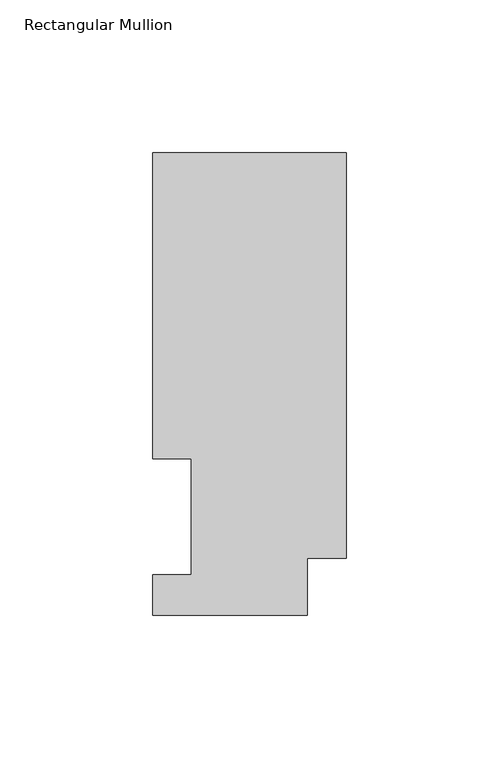
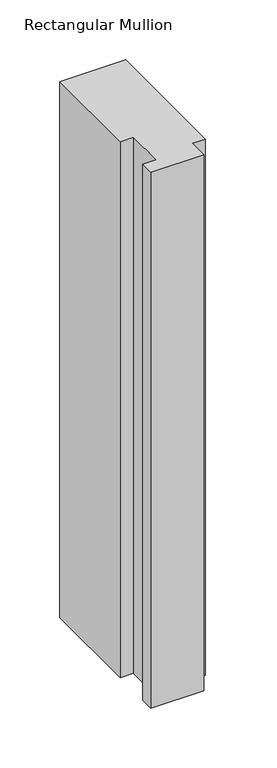
"""IFC4 building model written with IfcOpenShell, lengths in millimetres: member geometry, Rectangular Mullion."""

from ifc_helpers import new_model, si_unit, frame, origin, place, context, project, spatial, polyline, outline, extrude, source, transform, mapped, element, save


def rectangular_mullion_a33f3913(model_context):
    return source(origin(), model_context, "Body", "SweptSolid", [
        extrude(outline(polyline([(-63.5, 151.7022937), (0.0, 151.7022937), (0.0, 18.7332937), (-12.7, 18.7332937), (-12.7, 0.0134937), (-63.5, 0.0134937), (-63.5, 13.1960938), (-50.8, 13.1960938), (-50.8, 51.2960938), (-63.5, 51.2960937), (-63.5, 151.7022937)])), frame((0.0, 0.0, -546.0975441), z_axis=(0.0, 0.0, 1.0), x_axis=(1.0, 0.0, 0.0)), (0.0, 0.0, 1.0), 546.0975441),
    ])


if __name__ == "__main__":
    model = new_model("IFC4")
    model_context = context("Model", 3, world=origin())
    ifc_project = project(units=[si_unit("LENGTHUNIT", "METRE", prefix="MILLI")], contexts=[model_context])
    site = spatial("IfcSite", under=ifc_project)
    building = spatial("IfcBuilding", under=site)
    placement = place(None, origin())
    rectangular_mullion_shape = rectangular_mullion_a33f3913(model_context)
    element("IfcMember", 1, ObjectType="Rectangular Mullion", at=placement, inside=building, context=model_context, shape_type="MappedRepresentation", body=[
        mapped(rectangular_mullion_shape, transform((0.0, 0.0, 0.0), x_axis=(1.0, 0.0, 0.0), y_axis=(0.0, 1.0, 0.0), z_axis=(0.0, 0.0, 1.0))),
    ])
    save(model, "model.ifc")
